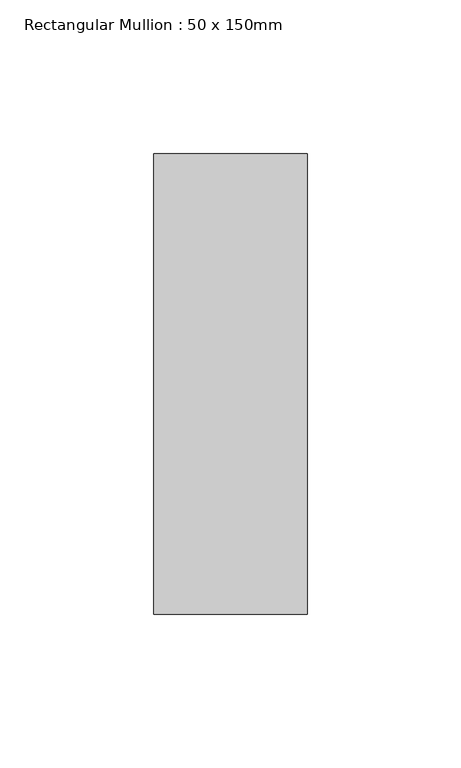
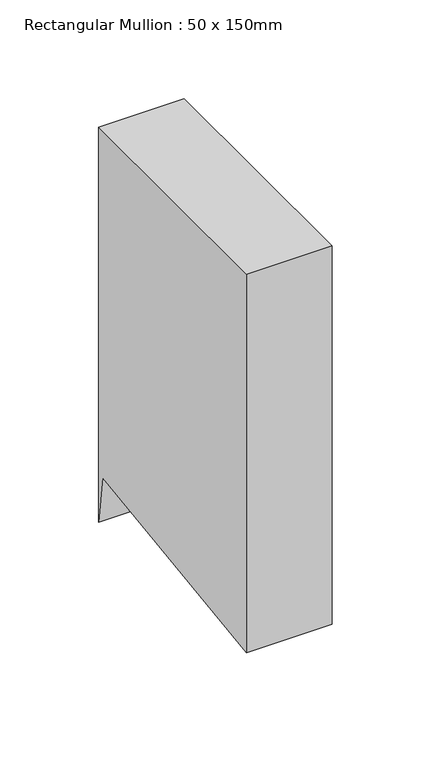
"""IFC4 building model written with IfcOpenShell, lengths in millimetres: member geometry, Rectangular Mullion : 50 x 150mm."""

from ifc_helpers import new_model, si_unit, frame, origin, place, context, project, spatial, polyline, outline, extrude, source, transform, mapped, element, save


def rectangular_mullion_50_x_150mm_283ad0b3(model_context):
    return source(origin(), model_context, "Body", "SweptSolid", [
        extrude(outline(polyline([(-75.0, 0.0), (75.0, 0.0), (75.0, -244.1706206), (71.0328341, -214.4506495), (-75.0, -233.9438204), (-75.0, 0.0)])), frame((-50.0, 0.0, 0.0), z_axis=(1.0, 0.0, 0.0), x_axis=(0.0, 1.0, 0.0)), (0.0, 0.0, 1.0), 50.0),
    ])


if __name__ == "__main__":
    model = new_model("IFC4")
    model_context = context("Model", 3, world=origin())
    ifc_project = project(units=[si_unit("LENGTHUNIT", "METRE", prefix="MILLI")], contexts=[model_context])
    site = spatial("IfcSite", under=ifc_project)
    building = spatial("IfcBuilding", under=site)
    placement = place(None, origin())
    rectangular_mullion_50_x_150mm_shape = rectangular_mullion_50_x_150mm_283ad0b3(model_context)
    element("IfcMember", 1, ObjectType="Rectangular Mullion : 50 x 150mm", at=placement, inside=building, context=model_context, shape_type="MappedRepresentation", body=[
        mapped(rectangular_mullion_50_x_150mm_shape, transform((0.0, 0.0, 0.0), x_axis=(1.0, 0.0, 0.0), y_axis=(0.0, 1.0, 0.0), z_axis=(0.0, 0.0, 1.0))),
    ])
    save(model, "model.ifc")
